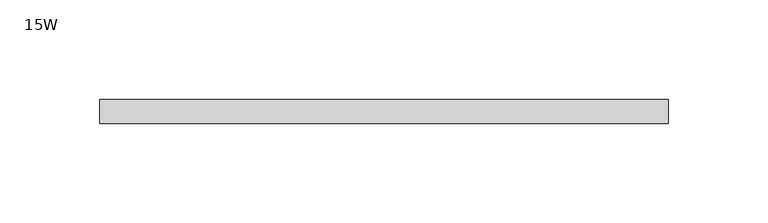
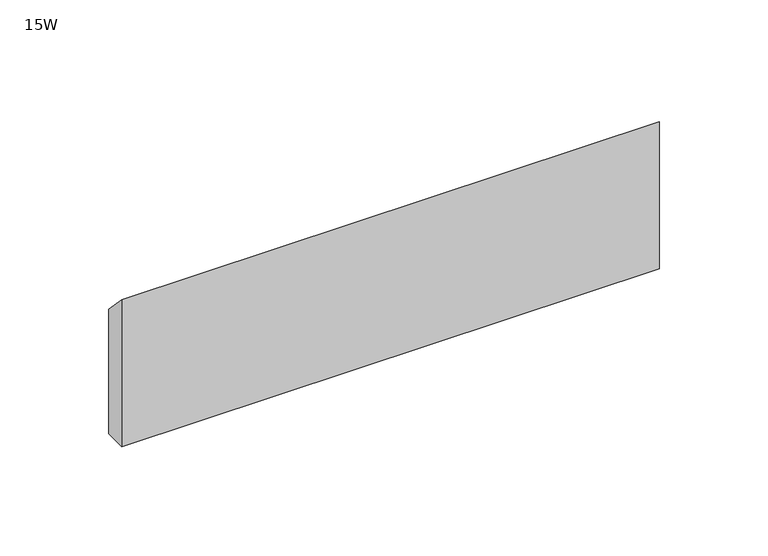
"""IFC4 building model written with IfcOpenShell, lengths in millimetres: furniture geometry, 15W."""

import ifcopenshell
import ifcopenshell.guid

model = None  # the IFC model being written
_history = None  # IfcOwnerHistory: only IFC2X3 demands one
_inside = {}  # id of a spatial element -> (the spatial element, [elements in it])
_under = {}  # id of a project, library or spatial element -> (it, [spatial elements below it])
_declared = {}  # id of a project -> (the project, [libraries it declares])
_typed = {}  # id of a type object -> (the type object, [elements of that type])
_made_of = {}  # id of a material, layer set ... -> (it, [elements and type objects made of it])


def new_model(schema):
    """Start an empty IFC model of exactly this schema.

    Asked for "IFC4X3", IfcOpenShell would pick the latest addendum, in which some entities
    have other attributes; the version numbers below select the first issue.
    IFC2X3 requires an IfcOwnerHistory on every rooted entity: one is made here for all.
    """
    global model, _history
    if schema == "IFC4X3":
        model = ifcopenshell.file(schema_version=(4, 3, 0, 0))
    else:
        model = ifcopenshell.file(schema=schema)
    _inside.clear()
    _under.clear()
    _declared.clear()
    _typed.clear()
    _made_of.clear()
    _history = None
    if model.schema == "IFC2X3":
        org = make("IfcOrganization", Name="unknown")
        user = make(
            "IfcPersonAndOrganization",
            ThePerson=make("IfcPerson", FamilyName="unknown"),
            TheOrganization=org,
        )
        app = make(
            "IfcApplication",
            ApplicationDeveloper=org,
            Version="unknown",
            ApplicationFullName="unknown",
            ApplicationIdentifier="unknown",
        )
        _history = make(
            "IfcOwnerHistory",
            OwningUser=user,
            OwningApplication=app,
            ChangeAction="ADDED",
            CreationDate=0,
        )
    return model


def make(cls, **values):
    """One entity of the class cls with the attributes given. An attribute that is None is left unset."""
    return model.create_entity(
        cls, **{name: value for name, value in values.items() if value is not None}
    )


def rooted(cls, **values):
    """An entity with a GlobalId (a new one), such as an element, a storey or a relation."""
    return make(cls, GlobalId=ifcopenshell.guid.new(), OwnerHistory=_history, **values)


def si_unit(unit_type, name, prefix=None):
    """IfcSIUnit, for example si_unit("LENGTHUNIT", "METRE", prefix="MILLI")."""
    return make("IfcSIUnit", UnitType=unit_type, Prefix=prefix, Name=name)


def assignment(units):
    """IfcUnitAssignment: the units of a project."""
    return None if units is None else make("IfcUnitAssignment", Units=units)


def point(xyz):
    """IfcCartesianPoint."""
    return None if xyz is None else make("IfcCartesianPoint", Coordinates=xyz)


def direction(xyz):
    """IfcDirection."""
    return None if xyz is None else make("IfcDirection", DirectionRatios=xyz)


def frame(location, z_axis=None, x_axis=None):
    """IfcAxis2Placement3D, a coordinate frame: its origin and axes. An axis left out is left unset."""
    return make(
        "IfcAxis2Placement3D",
        Location=point(location),
        Axis=direction(z_axis),
        RefDirection=direction(x_axis),
    )


def origin():
    """The frame at (0, 0, 0) with its axes left unset."""
    return frame((0.0, 0.0, 0.0))


def place(relative_to, where):
    """IfcLocalPlacement: puts the frame where relative to a parent placement (None: the world)."""
    return make(
        "IfcLocalPlacement", PlacementRelTo=relative_to, RelativePlacement=where
    )


def context(
    kind, dimensions, precision=None, world=None, true_north=None, identifier=None
):
    """IfcGeometricRepresentationContext, for example the 3D "Model" context."""
    return make(
        "IfcGeometricRepresentationContext",
        ContextIdentifier=identifier,
        ContextType=kind,
        CoordinateSpaceDimension=dimensions,
        Precision=precision,
        WorldCoordinateSystem=world,
        TrueNorth=true_north,
    )


def project(units=None, contexts=None):
    """IfcProject with its units and contexts."""
    return rooted(
        "IfcProject",
        Name="project",
        RepresentationContexts=contexts,
        UnitsInContext=assignment(units),
    )


def spatial(cls, under=None, at=None, **own):
    """A site, building, storey or space (cls), placed at a placement, below another one or the project."""
    s = rooted(cls, ObjectPlacement=at, **own)
    if under is not None:
        _under.setdefault(under.id(), (under, []))[1].append(s)
    return s


def polyline(points):
    """IfcPolyline through the points."""
    return make("IfcPolyline", Points=[point(p) for p in points])


def outline(outer, holes=None, kind="AREA"):
    """IfcArbitraryClosedProfileDef: a profile drawn as a closed curve; with holes, ...WithVoids."""
    if holes is None:
        return make("IfcArbitraryClosedProfileDef", ProfileType=kind, OuterCurve=outer)
    return make(
        "IfcArbitraryProfileDefWithVoids",
        ProfileType=kind,
        OuterCurve=outer,
        InnerCurves=holes,
    )


def extrude(swept, where, along, depth):
    """IfcExtrudedAreaSolid: the profile swept, set in the frame where, extruded along a direction by depth."""
    return make(
        "IfcExtrudedAreaSolid",
        SweptArea=swept,
        Position=where,
        ExtrudedDirection=direction(along),
        Depth=depth,
    )


def shape(context_of_items, identifier, shape_type, items):
    """IfcShapeRepresentation: the items that make up one representation, for example the "Body"."""
    return make(
        "IfcShapeRepresentation",
        ContextOfItems=context_of_items,
        RepresentationIdentifier=identifier,
        RepresentationType=shape_type,
        Items=items,
    )


def source(mapping_origin, context_of_items, identifier, shape_type, items):
    """IfcRepresentationMap: a shape defined once, which mapped items show again and again."""
    return make(
        "IfcRepresentationMap",
        MappingOrigin=mapping_origin,
        MappedRepresentation=shape(context_of_items, identifier, shape_type, items),
    )


def transform(
    local_origin,
    x_axis=None,
    y_axis=None,
    z_axis=None,
    scale=None,
    scale2=None,
    scale3=None,
    uniform=True,
):
    """IfcCartesianTransformationOperator3D, or its non-uniform kind. x_axis, y_axis, z_axis: its Axis1, 2, 3."""
    if uniform:
        return make(
            "IfcCartesianTransformationOperator3D",
            Axis1=direction(x_axis),
            Axis2=direction(y_axis),
            LocalOrigin=point(local_origin),
            Scale=scale,
            Axis3=direction(z_axis),
        )
    return make(
        "IfcCartesianTransformationOperator3DnonUniform",
        Axis1=direction(x_axis),
        Axis2=direction(y_axis),
        LocalOrigin=point(local_origin),
        Scale=scale,
        Axis3=direction(z_axis),
        Scale2=scale2,
        Scale3=scale3,
    )


def mapped(mapping_source, mapping_target):
    """IfcMappedItem: shows the shape of a source again, moved by a transform."""
    return make(
        "IfcMappedItem", MappingSource=mapping_source, MappingTarget=mapping_target
    )


def made_of(thing, what):
    """Note that an element or type object is made of a material, layer set ...; save() writes the relation."""
    if what is not None:
        _made_of.setdefault(what.id(), (what, []))[1].append(thing)
    return thing


def element(
    cls,
    number,
    at=None,
    inside=None,
    cuts=None,
    type_object=None,
    material=None,
    context=None,
    identifier="Body",
    shape_type=None,
    held_by="IfcProductDefinitionShape",
    body=None,
    shapes=None,
    **own,
):
    """One element of the class cls, such as IfcWall. Its Tag is "e" and its number.

    at: its placement. inside: the storey or other place that contains it. cuts: it is an
    opening in that element (IfcRelVoidsElement). A single representation is given by context,
    identifier, shape_type and body (its items); several are given by shapes. held_by: the class
    of the entity that holds the representations. save() writes the other relations.
    """
    e = rooted(cls, Tag="e%d" % number, ObjectPlacement=at, **own)
    if body is not None:
        shapes = [shape(context, identifier, shape_type, body)]
    if shapes is not None:
        e.Representation = make(held_by, Representations=shapes)
    if inside is not None:
        _inside.setdefault(inside.id(), (inside, []))[1].append(e)
    if cuts is not None:
        rooted(
            "IfcRelVoidsElement", RelatingBuildingElement=cuts, RelatedOpeningElement=e
        )
    if type_object is not None:
        _typed.setdefault(type_object.id(), (type_object, []))[1].append(e)
    return made_of(e, material)


def aggregate(whole, parts):
    """IfcRelAggregates: a whole, such as a stair, and the parts it consists of."""
    return rooted("IfcRelAggregates", RelatingObject=whole, RelatedObjects=parts)


def save(model, path):
    """Write the relations noted so far, then the file.

    IfcRelAggregates (storeys below a building ...), IfcRelContainedInSpatialStructure (elements
    in a storey), IfcRelDefinesByType, IfcRelAssociatesMaterial and IfcRelDeclares: one each for
    every whole, place, type object, material and project.
    """
    for whole, parts in _under.values():
        aggregate(whole, parts)
    for where, things in _inside.values():
        rooted(
            "IfcRelContainedInSpatialStructure",
            RelatedElements=things,
            RelatingStructure=where,
        )
    for kind, things in _typed.values():
        rooted("IfcRelDefinesByType", RelatedObjects=things, RelatingType=kind)
    for what, things in _made_of.values():
        rooted("IfcRelAssociatesMaterial", RelatedObjects=things, RelatingMaterial=what)
    for by, libraries in _declared.values():
        rooted("IfcRelDeclares", RelatingContext=by, RelatedDefinitions=libraries)
    model.write(path)


def furniture_15w_adf6cd6c(model_context):
    return source(origin(), model_context, "Body", "SweptSolid", [
        extrude(outline(polyline([(-11.938, 677.7482), (-11.938, 760.2982), (0.0, 747.5982), (0.0, 677.7482), (-11.938, 677.7482)])), frame((48.006, 0.0, 0.0), z_axis=(1.0, 0.0, 0.0), x_axis=(0.0, 1.0, 0.0)), (0.0, 0.0, 1.0), 284.988),
    ])


if __name__ == "__main__":
    model = new_model("IFC4")
    model_context = context("Model", 3, world=origin())
    ifc_project = project(units=[si_unit("LENGTHUNIT", "METRE", prefix="MILLI")], contexts=[model_context])
    site = spatial("IfcSite", under=ifc_project)
    building = spatial("IfcBuilding", under=site)
    placement = place(None, origin())
    furniture_15w_shape = furniture_15w_adf6cd6c(model_context)
    element("IfcFurniture", 1, ObjectType="15W", at=placement, inside=building, context=model_context, shape_type="MappedRepresentation", body=[
        mapped(furniture_15w_shape, transform((0.0, 0.0, 0.0), x_axis=(1.0, 0.0, 0.0), y_axis=(0.0, 1.0, 0.0), z_axis=(0.0, 0.0, 1.0))),
    ])
    save(model, "model.ifc")
